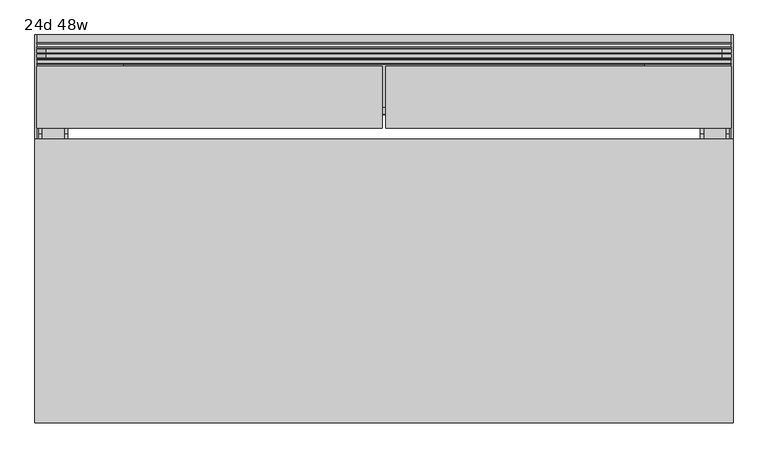
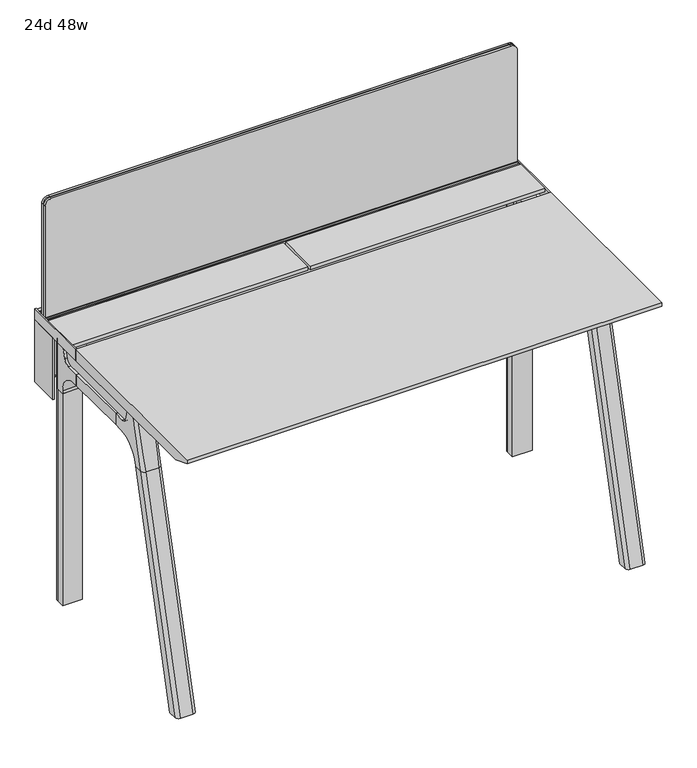
"""IFC4 building model written with IfcOpenShell, lengths in millimetres: furniture geometry, 24d 48w."""

from ifc_helpers import new_model, si_unit, point, frame, frame_2d, origin, place, context, project, spatial, polyline, circle_curve, ellipse_curve, trimmed, segment, composite_curve, outline, extrude, source, transform, mapped, element, save
from ifc_brep_helpers import plane_surface, cylinder_surface, revolved_surface, advanced_brep


def furniture_24d_48w_d5e730e5(model_context):
    return source(origin(), model_context, "Body", "SolidModel", [
        extrude(outline(composite_curve([segment(polyline([(-171.6458172, 542.478661), (-293.447806, 542.478661)]), True, "CONTINUOUS"), segment(trimmed(circle_curve(frame_2d((-293.447806, 555.972411)), 13.49375), [point((-293.447806, 542.478661))], [point((-306.941556, 555.972411))], False, "CARTESIAN"), True, "CONTINUOUS"), segment(polyline([(-306.941556, 555.972411), (-306.941556, 579.126206), (-306.147806, 579.126206), (-306.147806, 555.972411)]), True, "CONTINUOUS"), segment(trimmed(circle_curve(frame_2d((-293.447806, 555.972411)), 12.7), [point((-306.147806, 555.972411))], [point((-293.447806, 543.272411))], True, "CARTESIAN"), True, "CONTINUOUS"), segment(polyline([(-293.447806, 543.272411), (-171.6458172, 543.272411), (-171.6458172, 542.478661)]), True, "CONTINUOUS")], self_intersect=False)), frame((-238.125, 0.0, 0.0), z_axis=(1.0, 0.0, 0.0), x_axis=(0.0, 1.0, 0.0)), (0.0, 0.0, 1.0), 908.05),
        extrude(outline(polyline([(-167.2415802, 542.478661), (-171.6458172, 542.478661), (-171.6458172, 543.272411), (-168.0353302, 543.272411), (-168.0353302, 738.7080593), (-179.9097266, 738.7080593), (-179.9097266, 729.9768093), (-180.7034766, 729.9768093), (-180.7034766, 739.5018093), (-167.2415802, 739.5018093), (-167.2415802, 542.478661)])), frame((-390.525, 0.0, 0.0), z_axis=(1.0, 0.0, 0.0), x_axis=(0.0, 1.0, 0.0)), (0.0, 0.0, 1.0), 1212.85),
        extrude(outline(composite_curve([segment(polyline([(1054.89375, 803.275), (1054.89375, -371.475)]), True, "CONTINUOUS"), segment(trimmed(circle_curve(frame_2d((1039.01875, -371.475)), 15.875), [point((1054.89375, -371.475))], [point((1039.01875, -387.35))], False, "CARTESIAN"), True, "CONTINUOUS"), segment(polyline([(1039.01875, -387.35), (720.725, -387.35), (720.725, 819.15), (1039.01875, 819.15)]), True, "CONTINUOUS"), segment(trimmed(circle_curve(frame_2d((1039.01875, 803.275)), 15.875), [point((1039.01875, 819.15))], [point((1054.89375, 803.275))], False, "CARTESIAN"), True, "CONTINUOUS")], self_intersect=False)), frame((0.0, -201.3409766, 0.0), z_axis=(0.0, 1.0, 0.0), x_axis=(0.0, 0.0, 1.0)), (0.0, 0.0, 1.0), 3.175),
        extrude(outline(composite_curve([segment(polyline([(1058.06875, 806.45), (1058.06875, -374.65)]), True, "CONTINUOUS"), segment(trimmed(circle_curve(frame_2d((1042.19375, -374.65)), 15.875), [point((1058.06875, -374.65))], [point((1042.19375, -390.525))], False, "CARTESIAN"), True, "CONTINUOUS"), segment(polyline([(1042.19375, -390.525), (717.55, -390.525), (717.55, 822.325), (1042.19375, 822.325)]), True, "CONTINUOUS"), segment(trimmed(circle_curve(frame_2d((1042.19375, 806.45)), 15.875), [point((1042.19375, 822.325))], [point((1058.06875, 806.45))], False, "CARTESIAN"), True, "CONTINUOUS")], self_intersect=False)), frame((0.0, -198.1659766, 0.0), z_axis=(0.0, 1.0, 0.0), x_axis=(0.0, 0.0, 1.0)), (0.0, 0.0, 1.0), 5.55625),
        extrude(outline(composite_curve([segment(polyline([(1058.06875, 806.45), (1058.06875, -374.65)]), True, "CONTINUOUS"), segment(trimmed(circle_curve(frame_2d((1042.19375, -374.65)), 15.875), [point((1058.06875, -374.65))], [point((1042.19375, -390.525))], False, "CARTESIAN"), True, "CONTINUOUS"), segment(polyline([(1042.19375, -390.525), (717.55, -390.525), (717.55, 822.325), (1042.19375, 822.325)]), True, "CONTINUOUS"), segment(trimmed(circle_curve(frame_2d((1042.19375, 806.45)), 15.875), [point((1042.19375, 822.325))], [point((1058.06875, 806.45))], False, "CARTESIAN"), True, "CONTINUOUS")], self_intersect=False)), frame((0.0, -206.8972266, 0.0), z_axis=(0.0, 1.0, 0.0), x_axis=(0.0, 0.0, 1.0)), (0.0, 0.0, 1.0), 5.55625),
        extrude(outline(polyline([(-218.8034766, 715.9625), (-218.8034766, 741.3625), (-217.2159766, 741.3625), (-217.2159766, 720.725), (-210.8659766, 720.725), (-210.8659766, 741.3625), (-209.2784766, 741.3625), (-209.2784766, 717.55), (-190.2284766, 717.55), (-190.2284766, 741.3625), (-188.6409766, 741.3625), (-188.6409766, 720.725), (-182.2909766, 720.725), (-182.2909766, 741.3625), (-180.7034766, 741.3625), (-180.7034766, 715.9625), (-218.8034766, 715.9625)])), frame((-390.525, 0.0, 0.0), z_axis=(1.0, 0.0, 0.0), x_axis=(0.0, 1.0, 0.0)), (0.0, 0.0, 1.0), 1212.85),
        extrude(outline(composite_curve([segment(polyline([(-280.7159766, 711.2), (-289.7740774, 677.3947076)]), True, "CONTINUOUS"), segment(trimmed(circle_curve(frame_2d((-305.1081499, 681.5034599)), 15.875), [point((-289.7740774, 677.3947076))], [point((-305.1081499, 665.6284599))], False, "CARTESIAN"), True, "CONTINUOUS"), segment(polyline([(-305.1081499, 665.6284599), (-550.8050533, 665.6284599)]), True, "CONTINUOUS"), segment(trimmed(circle_curve(frame_2d((-550.8050533, 681.5034599)), 15.875), [point((-550.8050533, 665.6284599))], [point((-566.1391258, 677.3947076))], False, "CARTESIAN"), True, "CONTINUOUS"), segment(polyline([(-566.1391258, 677.3947076), (-575.1972266, 711.2), (-280.7159766, 711.2)]), True, "CONTINUOUS")], self_intersect=False)), frame((774.7, 0.0, 0.0), z_axis=(1.0, 0.0, 0.0), x_axis=(0.0, 1.0, 0.0)), (0.0, 0.0, 1.0), 38.1),
        extrude(outline(polyline([(819.15, -341.0409766), (819.15, -514.8722266), (768.35, -514.8722266), (768.35, -341.0409766), (819.15, -341.0409766)])), frame((0.0, 0.0, 635.6476591), z_axis=(0.0, 0.0, 1.0), x_axis=(1.0, 0.0, 0.0)), (0.0, 0.0, 1.0), 29.9808008),
        extrude(outline(composite_curve([segment(polyline([(-280.7159766, 711.2), (-289.7740774, 677.3947076)]), True, "CONTINUOUS"), segment(trimmed(circle_curve(frame_2d((-305.1081499, 681.5034599)), 15.875), [point((-289.7740774, 677.3947076))], [point((-305.1081499, 665.6284599))], False, "CARTESIAN"), True, "CONTINUOUS"), segment(polyline([(-305.1081499, 665.6284599), (-550.8050533, 665.6284599)]), True, "CONTINUOUS"), segment(trimmed(circle_curve(frame_2d((-550.8050533, 681.5034599)), 15.875), [point((-550.8050533, 665.6284599))], [point((-566.1391258, 677.3947076))], False, "CARTESIAN"), True, "CONTINUOUS"), segment(polyline([(-566.1391258, 677.3947076), (-575.1972266, 711.2), (-280.7159766, 711.2)]), True, "CONTINUOUS")], self_intersect=False)), frame((-381.0, 0.0, 0.0), z_axis=(1.0, 0.0, 0.0), x_axis=(0.0, 1.0, 0.0)), (0.0, 0.0, 1.0), 38.1),
        extrude(outline(polyline([(-336.55, -341.0409766), (-336.55, -514.8722266), (-387.35, -514.8722266), (-387.35, -341.0409766), (-336.55, -341.0409766)])), frame((0.0, 0.0, 635.6476591), z_axis=(0.0, 0.0, 1.0), x_axis=(1.0, 0.0, 0.0)), (0.0, 0.0, 1.0), 29.9808008),
        advanced_brep(
        [(819.15, -280.6696478, 711.2), (819.15, -289.7277486, 677.3947076), (819.15, -305.0618211, 665.6284599), (819.15, -341.0409766, 665.6284599), (819.15, -341.0409766, 635.6476591), (819.15, -329.9284766, 635.6476591), (819.15, -279.1284766, 584.8476591), (819.15, -279.1284766, 576.659375), (819.15, -256.9034766, 576.659375), (819.15, -256.9034766, 711.2), (768.35, -279.1284766, 576.659375), (768.35, -279.1284766, 584.8476591), (768.35, -329.9284766, 635.6476591), (768.35, -341.0409766, 635.6476591), (768.35, -341.0409766, 665.6284599), (768.35, -305.0618211, 665.6284599), (768.35, -289.7277486, 677.3947076), (768.35, -280.6696478, 711.2), (768.35, -256.9034766, 711.2), (768.35, -256.9034766, 576.659375), (809.625, -247.3784766, 711.2), (777.875, -247.3784766, 711.2), (777.875, -247.3784766, 576.659375), (809.625, -247.3784766, 576.659375)],
        [
            (0, 1),
            (1, 2, circle_curve(frame((819.15, -305.0618211, 681.5034599), z_axis=(-1.0, 0.0, 0.0), x_axis=(0.0, 1.0, 0.0)), 15.875)),
            (2, 3),
            (3, 4),
            (4, 5),
            (5, 6, circle_curve(frame((819.15, -329.9284766, 584.8476591), z_axis=(-1.0, 0.0, 0.0), x_axis=(0.0, 1.0, 0.0)), 50.8)),
            (6, 7),
            (7, 8),
            (8, 9),
            (9, 0),
            (10, 11),
            (11, 12, circle_curve(frame((768.35, -329.9284766, 584.8476591), z_axis=(1.0, 0.0, 0.0), x_axis=(0.0, 1.0, 0.0)), 50.8)),
            (12, 13),
            (13, 14),
            (14, 15),
            (15, 16, circle_curve(frame((768.35, -305.0618211, 681.5034599), z_axis=(1.0, 0.0, 0.0), x_axis=(0.0, 1.0, 0.0)), 15.875)),
            (16, 17),
            (17, 18),
            (18, 19),
            (19, 10),
            (17, 0),
            (9, 20, circle_curve(frame((809.625, -256.9034766, 711.2), z_axis=(0.0, 0.0, 1.0), x_axis=(-1.0, 0.0, 0.0)), 9.525)),
            (20, 21),
            (21, 18, circle_curve(frame((777.875, -256.9034766, 711.2), z_axis=(0.0, 0.0, 1.0), x_axis=(-1.0, 0.0, 0.0)), 9.525)),
            (16, 1),
            (15, 2),
            (14, 3),
            (13, 4),
            (12, 5),
            (7, 10),
            (19, 22, circle_curve(frame((777.875, -256.9034766, 576.659375), z_axis=(0.0, 0.0, -1.0), x_axis=(-1.0, 0.0, 0.0)), 9.525)),
            (22, 23),
            (23, 8, circle_curve(frame((809.625, -256.9034766, 576.659375), z_axis=(0.0, 0.0, -1.0), x_axis=(-1.0, 0.0, 0.0)), 9.525)),
            (11, 6),
            (23, 20),
            (21, 22),
        ],
        [
            plane_surface(frame((819.15, -240.451947, 711.2), z_axis=(1.0, 0.0, 0.0), x_axis=(0.0, -1.0, 0.0))),
            plane_surface(frame((768.35, -240.451947, 711.2), z_axis=(-1.0, 0.0, 0.0), x_axis=(0.0, 1.0, 0.0))),
            plane_surface(frame((819.15, -240.451947, 711.2), z_axis=(0.0, 0.0, 1.0), x_axis=(-1.0, 0.0, 0.0))),
            plane_surface(frame((819.15, -280.6696478, 711.2), z_axis=(0.0, -0.9659258262890683, 0.2588190451025207), x_axis=(-1.0, 0.0, 0.0))),
            revolved_surface(polyline([(768.35, -289.1868211, 681.5034599), (819.15, -289.1868211, 681.5034599)]), (768.35, -305.0618211, 681.5034599), (-1.0, 0.0, 0.0)),
            plane_surface(frame((819.15, -305.0618211, 665.6284599), z_axis=(0.0, 0.0, 1.0), x_axis=(-1.0, 0.0, 0.0))),
            plane_surface(frame((819.15, -341.0409766, 665.6284599), z_axis=(0.0, -1.0, 0.0), x_axis=(-1.0, 0.0, 0.0))),
            plane_surface(frame((819.15, -341.0409766, 635.6476591), z_axis=(0.0, 0.0, -1.0), x_axis=(-1.0, 0.0, 0.0))),
            plane_surface(frame((819.15, -279.1284766, 576.659375), z_axis=(0.0, 0.0, -1.0), x_axis=(-1.0, 0.0, 0.0))),
            revolved_surface(polyline([(768.35, -279.1284766, 584.8476591), (819.15, -279.1284766, 584.8476591)]), (768.35, -329.9284766, 584.8476591), (-1.0, 0.0, 0.0)),
            plane_surface(frame((819.15, -279.1284766, 584.8476591), z_axis=(0.0, -1.0, 0.0), x_axis=(-1.0, 0.0, 0.0))),
            cylinder_surface(frame((809.625, -256.9034766, 524.9807374), z_axis=(0.0, 0.0, -1.0), x_axis=(-1.0, 0.0, 0.0)), 9.525),
            cylinder_surface(frame((777.875, -256.9034766, 524.9807374), z_axis=(0.0, 0.0, -1.0), x_axis=(-1.0, 0.0, 0.0)), 9.525),
            plane_surface(frame((777.875, -247.3784766, 711.2), z_axis=(0.0, 1.0, 0.0), x_axis=(0.0, 0.0, -1.0))),
        ],
        [
            (0, [[1, 2, 3, 4, 5, 6, 7, 8, 9, 10]]),
            (1, [[11, 12, 13, 14, 15, 16, 17, 18, 19, 20]]),
            (2, [[21, -10, 22, 23, 24, -18]]),
            (3, [[-1, -21, -17, 25]]),
            (4, [[-2, -25, -16, 26]]),
            (5, [[-3, -26, -15, 27]]),
            (6, [[-4, -27, -14, 28]]),
            (7, [[-5, -28, -13, 29]]),
            (8, [[30, -20, 31, 32, 33, -8]]),
            (9, [[-6, -29, -12, 34]]),
            (10, [[-7, -34, -11, -30]]),
            (11, [[35, -22, -9, -33]]),
            (12, [[36, -31, -19, -24]]),
            (13, [[-35, -32, -36, -23]]),
        ],
    ),
        advanced_brep(
        [(768.35, -279.1284766, 576.659375), (819.15, -279.1284766, 576.659375), (819.15, -256.9034766, 576.659375), (809.625, -247.3784766, 576.659375), (777.875, -247.3784766, 576.659375), (768.35, -256.9034766, 576.659375), (768.35, -279.1284766, 0.0), (768.35, -256.9034766, 0.0), (777.875, -247.3784766, 0.0), (809.625, -247.3784766, 0.0), (819.15, -256.9034766, 0.0), (819.15, -279.1284766, 0.0), (819.15, -256.9034766, 524.9807374), (809.625, -247.3784766, 524.9807374), (777.875, -247.3784766, 524.9807374), (768.35, -256.9034766, 524.9807374)],
        [
            (0, 1),
            (1, 2),
            (2, 3, circle_curve(frame((809.625, -256.9034766, 576.659375), z_axis=(0.0, 0.0, 1.0), x_axis=(-1.0, 0.0, 0.0)), 9.525)),
            (3, 4),
            (4, 5, circle_curve(frame((777.875, -256.9034766, 576.659375), z_axis=(0.0, 0.0, 1.0), x_axis=(-1.0, 0.0, 0.0)), 9.525)),
            (5, 0),
            (6, 7),
            (7, 8, circle_curve(frame((777.875, -256.9034766, 0.0), z_axis=(0.0, 0.0, -1.0), x_axis=(-1.0, 0.0, 0.0)), 9.525)),
            (8, 9),
            (9, 10, circle_curve(frame((809.625, -256.9034766, 0.0), z_axis=(0.0, 0.0, -1.0), x_axis=(-1.0, 0.0, 0.0)), 9.525)),
            (10, 11),
            (11, 6),
            (0, 6),
            (11, 1),
            (10, 12),
            (12, 2),
            (9, 13),
            (13, 3),
            (8, 14),
            (14, 4),
            (7, 15),
            (15, 5),
        ],
        [
            plane_surface(frame((826.3462903, -279.1284766, 576.659375), z_axis=(0.0, 0.0, 1.0), x_axis=(1.0, 0.0, 0.0))),
            plane_surface(frame((826.3462903, -279.1284766, 0.0), z_axis=(0.0, 0.0, -1.0), x_axis=(-1.0, 0.0, 0.0))),
            plane_surface(frame((768.35, -279.1284766, 576.659375), z_axis=(0.0, -1.0, 0.0), x_axis=(0.0, 0.0, -1.0))),
            plane_surface(frame((819.15, -279.1284766, 576.659375), z_axis=(1.0, 0.0, 0.0), x_axis=(0.0, 0.0, -1.0))),
            cylinder_surface(frame((809.625, -256.9034766, 0.0), z_axis=(0.0, 0.0, 1.0), x_axis=(-1.0, 0.0, 0.0)), 9.525),
            plane_surface(frame((809.625, -247.3784766, 576.659375), z_axis=(0.0, 1.0, 0.0), x_axis=(0.0, 0.0, -1.0))),
            cylinder_surface(frame((777.875, -256.9034766, 0.0), z_axis=(0.0, 0.0, 1.0), x_axis=(-1.0, 0.0, 0.0)), 9.525),
            plane_surface(frame((768.35, -256.9034766, 576.659375), z_axis=(-1.0, 0.0, 0.0), x_axis=(0.0, 0.0, -1.0))),
        ],
        [
            (0, [[1, 2, 3, 4, 5, 6]]),
            (1, [[7, 8, 9, 10, 11, 12]]),
            (2, [[-1, 13, -12, 14]]),
            (3, [[-2, -14, -11, 15, 16]]),
            (4, [[-3, -16, -15, -10, 17, 18]]),
            (5, [[-4, -18, -17, -9, 19, 20]]),
            (6, [[-5, -20, -19, -8, 21, 22]]),
            (7, [[-6, -22, -21, -7, -13]]),
        ],
    ),
        advanced_brep(
        [(-336.55, -280.6696478, 711.2), (-336.55, -289.7277486, 677.3947076), (-336.55, -305.0618211, 665.6284599), (-336.55, -341.0409766, 665.6284599), (-336.55, -341.0409766, 635.6476591), (-336.55, -329.9284766, 635.6476591), (-336.55, -279.1284766, 584.8476591), (-336.55, -279.1284766, 576.659375), (-336.55, -256.9034766, 576.659375), (-336.55, -256.9034766, 711.2), (-387.35, -279.1284766, 576.659375), (-387.35, -279.1284766, 584.8476591), (-387.35, -329.9284766, 635.6476591), (-387.35, -341.0409766, 635.6476591), (-387.35, -341.0409766, 665.6284599), (-387.35, -305.0618211, 665.6284599), (-387.35, -289.7277486, 677.3947076), (-387.35, -280.6696478, 711.2), (-387.35, -256.9034766, 711.2), (-387.35, -256.9034766, 576.659375), (-346.075, -247.3784766, 711.2), (-377.825, -247.3784766, 711.2), (-377.825, -247.3784766, 576.659375), (-346.075, -247.3784766, 576.659375)],
        [
            (0, 1),
            (1, 2, circle_curve(frame((-336.55, -305.0618211, 681.5034599), z_axis=(-1.0, 0.0, 0.0), x_axis=(0.0, 1.0, 0.0)), 15.875)),
            (2, 3),
            (3, 4),
            (4, 5),
            (5, 6, circle_curve(frame((-336.55, -329.9284766, 584.8476591), z_axis=(-1.0, 0.0, 0.0), x_axis=(0.0, 1.0, 0.0)), 50.8)),
            (6, 7),
            (7, 8),
            (8, 9),
            (9, 0),
            (10, 11),
            (11, 12, circle_curve(frame((-387.35, -329.9284766, 584.8476591), z_axis=(1.0, 0.0, 0.0), x_axis=(0.0, 1.0, 0.0)), 50.8)),
            (12, 13),
            (13, 14),
            (14, 15),
            (15, 16, circle_curve(frame((-387.35, -305.0618211, 681.5034599), z_axis=(1.0, 0.0, 0.0), x_axis=(0.0, 1.0, 0.0)), 15.875)),
            (16, 17),
            (17, 18),
            (18, 19),
            (19, 10),
            (17, 0),
            (9, 20, circle_curve(frame((-346.075, -256.9034766, 711.2), z_axis=(0.0, 0.0, 1.0), x_axis=(-1.0, 0.0, 0.0)), 9.525)),
            (20, 21),
            (21, 18, circle_curve(frame((-377.825, -256.9034766, 711.2), z_axis=(0.0, 0.0, 1.0), x_axis=(-1.0, 0.0, 0.0)), 9.525)),
            (16, 1),
            (15, 2),
            (14, 3),
            (13, 4),
            (12, 5),
            (7, 10),
            (19, 22, circle_curve(frame((-377.825, -256.9034766, 576.659375), z_axis=(0.0, 0.0, -1.0), x_axis=(-1.0, 0.0, 0.0)), 9.525)),
            (22, 23),
            (23, 8, circle_curve(frame((-346.075, -256.9034766, 576.659375), z_axis=(0.0, 0.0, -1.0), x_axis=(-1.0, 0.0, 0.0)), 9.525)),
            (11, 6),
            (23, 20),
            (21, 22),
        ],
        [
            plane_surface(frame((-336.55, -240.451947, 711.2), z_axis=(1.0, 0.0, 0.0), x_axis=(0.0, -1.0, 0.0))),
            plane_surface(frame((-387.35, -240.451947, 711.2), z_axis=(-1.0, 0.0, 0.0), x_axis=(0.0, 1.0, 0.0))),
            plane_surface(frame((-336.55, -240.451947, 711.2), z_axis=(0.0, 0.0, 1.0), x_axis=(-1.0, 0.0, 0.0))),
            plane_surface(frame((-336.55, -280.6696478, 711.2), z_axis=(0.0, -0.9659258262890683, 0.2588190451025207), x_axis=(-1.0, 0.0, 0.0))),
            revolved_surface(polyline([(-387.35, -289.1868211, 681.5034599), (-336.55, -289.1868211, 681.5034599)]), (-387.35, -305.0618211, 681.5034599), (-1.0, 0.0, 0.0)),
            plane_surface(frame((-336.55, -305.0618211, 665.6284599), z_axis=(0.0, 0.0, 1.0), x_axis=(-1.0, 0.0, 0.0))),
            plane_surface(frame((-336.55, -341.0409766, 665.6284599), z_axis=(0.0, -1.0, 0.0), x_axis=(-1.0, 0.0, 0.0))),
            plane_surface(frame((-336.55, -341.0409766, 635.6476591), z_axis=(0.0, 0.0, -1.0), x_axis=(-1.0, 0.0, 0.0))),
            plane_surface(frame((-336.55, -279.1284766, 576.659375), z_axis=(0.0, 0.0, -1.0), x_axis=(-1.0, 0.0, 0.0))),
            revolved_surface(polyline([(-387.35, -279.1284766, 584.8476591), (-336.55, -279.1284766, 584.8476591)]), (-387.35, -329.9284766, 584.8476591), (-1.0, 0.0, 0.0)),
            plane_surface(frame((-336.55, -279.1284766, 584.8476591), z_axis=(0.0, -1.0, 0.0), x_axis=(-1.0, 0.0, 0.0))),
            cylinder_surface(frame((-346.075, -256.9034766, 524.9807374), z_axis=(0.0, 0.0, -1.0), x_axis=(-1.0, 0.0, 0.0)), 9.525),
            cylinder_surface(frame((-377.825, -256.9034766, 524.9807374), z_axis=(0.0, 0.0, -1.0), x_axis=(-1.0, 0.0, 0.0)), 9.525),
            plane_surface(frame((-377.825, -247.3784766, 711.2), z_axis=(0.0, 1.0, 0.0), x_axis=(0.0, 0.0, -1.0))),
        ],
        [
            (0, [[1, 2, 3, 4, 5, 6, 7, 8, 9, 10]]),
            (1, [[11, 12, 13, 14, 15, 16, 17, 18, 19, 20]]),
            (2, [[21, -10, 22, 23, 24, -18]]),
            (3, [[-1, -21, -17, 25]]),
            (4, [[-2, -25, -16, 26]]),
            (5, [[-3, -26, -15, 27]]),
            (6, [[-4, -27, -14, 28]]),
            (7, [[-5, -28, -13, 29]]),
            (8, [[30, -20, 31, 32, 33, -8]]),
            (9, [[-6, -29, -12, 34]]),
            (10, [[-7, -34, -11, -30]]),
            (11, [[35, -22, -9, -33]]),
            (12, [[36, -31, -19, -24]]),
            (13, [[-35, -32, -36, -23]]),
        ],
    ),
        advanced_brep(
        [(-387.35, -279.1284766, 576.659375), (-336.55, -279.1284766, 576.659375), (-336.55, -256.9034766, 576.659375), (-346.075, -247.3784766, 576.659375), (-377.825, -247.3784766, 576.659375), (-387.35, -256.9034766, 576.659375), (-387.35, -279.1284766, 0.0), (-387.35, -256.9034766, 0.0), (-377.825, -247.3784766, 0.0), (-346.075, -247.3784766, 0.0), (-336.55, -256.9034766, 0.0), (-336.55, -279.1284766, 0.0), (-336.55, -256.9034766, 524.9807374), (-346.075, -247.3784766, 524.9807374), (-377.825, -247.3784766, 524.9807374), (-387.35, -256.9034766, 524.9807374)],
        [
            (0, 1),
            (1, 2),
            (2, 3, circle_curve(frame((-346.075, -256.9034766, 576.659375), z_axis=(0.0, 0.0, 1.0), x_axis=(-1.0, 0.0, 0.0)), 9.525)),
            (3, 4),
            (4, 5, circle_curve(frame((-377.825, -256.9034766, 576.659375), z_axis=(0.0, 0.0, 1.0), x_axis=(-1.0, 0.0, 0.0)), 9.525)),
            (5, 0),
            (6, 7),
            (7, 8, circle_curve(frame((-377.825, -256.9034766, 0.0), z_axis=(0.0, 0.0, -1.0), x_axis=(-1.0, 0.0, 0.0)), 9.525)),
            (8, 9),
            (9, 10, circle_curve(frame((-346.075, -256.9034766, 0.0), z_axis=(0.0, 0.0, -1.0), x_axis=(-1.0, 0.0, 0.0)), 9.525)),
            (10, 11),
            (11, 6),
            (0, 6),
            (11, 1),
            (10, 12),
            (12, 2),
            (9, 13),
            (13, 3),
            (8, 14),
            (14, 4),
            (7, 15),
            (15, 5),
        ],
        [
            plane_surface(frame((-329.3537097, -279.1284766, 576.659375), z_axis=(0.0, 0.0, 1.0), x_axis=(1.0, 0.0, 0.0))),
            plane_surface(frame((-329.3537097, -279.1284766, 0.0), z_axis=(0.0, 0.0, -1.0), x_axis=(-1.0, 0.0, 0.0))),
            plane_surface(frame((-387.35, -279.1284766, 576.659375), z_axis=(0.0, -1.0, 0.0), x_axis=(0.0, 0.0, -1.0))),
            plane_surface(frame((-336.55, -279.1284766, 576.659375), z_axis=(1.0, 0.0, 0.0), x_axis=(0.0, 0.0, -1.0))),
            cylinder_surface(frame((-346.075, -256.9034766, 0.0), z_axis=(0.0, 0.0, 1.0), x_axis=(-1.0, 0.0, 0.0)), 9.525),
            plane_surface(frame((-346.075, -247.3784766, 576.659375), z_axis=(0.0, 1.0, 0.0), x_axis=(0.0, 0.0, -1.0))),
            cylinder_surface(frame((-377.825, -256.9034766, 0.0), z_axis=(0.0, 0.0, 1.0), x_axis=(-1.0, 0.0, 0.0)), 9.525),
            plane_surface(frame((-387.35, -256.9034766, 576.659375), z_axis=(-1.0, 0.0, 0.0), x_axis=(0.0, 0.0, -1.0))),
        ],
        [
            (0, [[1, 2, 3, 4, 5, 6]]),
            (1, [[7, 8, 9, 10, 11, 12]]),
            (2, [[-1, 13, -12, 14]]),
            (3, [[-2, -14, -11, 15, 16]]),
            (4, [[-3, -16, -15, -10, 17, 18]]),
            (5, [[-4, -18, -17, -9, 19, 20]]),
            (6, [[-5, -20, -19, -8, 21, 22]]),
            (7, [[-6, -22, -21, -7, -13]]),
        ],
    ),
        advanced_brep(
        [(768.35, -568.8935553, 711.2), (768.35, -559.8354545, 677.3947076), (768.35, -544.501382, 665.6284599), (768.35, -514.8722266, 665.6284599), (768.35, -514.8722266, 635.6476591), (768.35, -537.7434588, 635.6476591), (768.35, -602.1465633, 586.2294189), (768.35, -604.7047754, 576.6820411), (768.35, -625.8087453, 576.6820411), (768.35, -590.3601017, 711.2), (819.15, -604.7047754, 576.6820411), (819.15, -602.1465633, 586.2294189), (819.15, -537.7434588, 635.6476591), (819.15, -514.8722266, 635.6476591), (819.15, -514.8722266, 665.6284599), (819.15, -544.501382, 665.6284599), (819.15, -559.8354545, 677.3947076), (819.15, -568.8935553, 711.2), (819.15, -590.3601017, 711.2), (819.15, -625.8087453, 576.6820411), (774.6138162, -599.6149462, 711.2), (812.8861838, -599.6149462, 711.2), (809.625, -635.6589247, 576.6820411), (777.875, -635.6589247, 576.6820411)],
        [
            (0, 1),
            (1, 2, circle_curve(frame((768.35, -544.501382, 681.5034599), z_axis=(1.0, 0.0, 0.0), x_axis=(0.0, -1.0, 0.0)), 15.875)),
            (2, 3),
            (3, 4),
            (4, 5),
            (5, 6, circle_curve(frame((768.35, -537.7434588, 568.9726591), z_axis=(1.0, 0.0, 0.0), x_axis=(0.0, -1.0, 0.0)), 66.675)),
            (6, 7),
            (7, 8),
            (8, 9),
            (9, 0),
            (10, 11),
            (11, 12, circle_curve(frame((819.15, -537.7434588, 568.9726591), z_axis=(-1.0, 0.0, 0.0), x_axis=(0.0, -1.0, 0.0)), 66.675)),
            (12, 13),
            (13, 14),
            (14, 15),
            (15, 16, circle_curve(frame((819.15, -544.501382, 681.5034599), z_axis=(-1.0, 0.0, 0.0), x_axis=(0.0, -1.0, 0.0)), 15.875)),
            (16, 17),
            (17, 18),
            (18, 19),
            (19, 10),
            (17, 0),
            (9, 20, ellipse_curve(frame((777.875, -590.3601017, 711.2), z_axis=(0.0, 0.0, 1.0), x_axis=(0.0, -1.0, 0.0)), 9.8501793, 9.525)),
            (20, 21),
            (21, 18, ellipse_curve(frame((809.625, -590.3601017, 711.2), z_axis=(0.0, 0.0, 1.0), x_axis=(0.0, -1.0, 0.0)), 9.8501793, 9.525)),
            (16, 1),
            (15, 2),
            (14, 3),
            (13, 4),
            (12, 5),
            (11, 6),
            (10, 7),
            (19, 22, ellipse_curve(frame((809.625, -625.8087453, 576.6820411), z_axis=(0.0, 0.0, -1.0), x_axis=(0.0, -1.0, 0.0)), 9.8501793, 9.525)),
            (22, 23),
            (23, 8, ellipse_curve(frame((777.875, -625.8087453, 576.6820411), z_axis=(0.0, 0.0, -1.0), x_axis=(0.0, -1.0, 0.0)), 9.8501793, 9.525)),
            (20, 23, ellipse_curve(frame((777.875, -39.2892106, 2802.3641142), z_axis=(0.0, -0.9659258262890684, 0.2588190451025206), x_axis=(0.0, -0.2588190451025206, -0.9659258262890684)), 2304.1956354, 9.525)),
            (22, 21, ellipse_curve(frame((809.625, -39.2892106, 2802.3641142), z_axis=(0.0, -0.9659258262890684, 0.2588190451025206), x_axis=(0.0, -0.2588190451025206, -0.9659258262890684)), 2304.1956354, 9.525)),
        ],
        [
            plane_surface(frame((768.35, -599.6149462, 711.2), z_axis=(-1.0, 0.0, 0.0), x_axis=(0.0, 1.0, 0.0))),
            plane_surface(frame((819.15, -599.6149462, 711.2), z_axis=(1.0, 0.0, 0.0), x_axis=(0.0, -1.0, 0.0))),
            plane_surface(frame((768.35, -599.6149462, 711.2), z_axis=(0.0, 0.0, 1.0), x_axis=(1.0, 0.0, 0.0))),
            plane_surface(frame((768.35, -568.8935553, 711.2), z_axis=(0.0, 0.9659258262890683, 0.2588190451025207), x_axis=(1.0, 0.0, 0.0))),
            revolved_surface(polyline([(819.15, -560.376382, 681.5034599), (768.35, -560.376382, 681.5034599)]), (819.15, -544.501382, 681.5034599), (1.0, 0.0, 0.0)),
            plane_surface(frame((768.35, -544.501382, 665.6284599), z_axis=(0.0, 0.0, 1.0), x_axis=(1.0, 0.0, 0.0))),
            plane_surface(frame((768.35, -514.8722266, 665.6284599), z_axis=(0.0, 1.0, 0.0), x_axis=(1.0, 0.0, 0.0))),
            plane_surface(frame((768.35, -514.8722266, 635.6476591), z_axis=(0.0, 0.0, -1.0), x_axis=(1.0, 0.0, 0.0))),
            revolved_surface(polyline([(819.15, -604.4184587999999, 568.9726591), (768.35, -604.4184587999999, 568.9726591)]), (819.15, -537.7434588, 568.9726591), (1.0, 0.0, 0.0)),
            plane_surface(frame((768.35, -602.1465633, 586.2294189), z_axis=(0.0, 0.9659258262890693, -0.25881904510251696), x_axis=(1.0, 0.0, 0.0))),
            plane_surface(frame((768.35, -604.7047754, 576.6820411), z_axis=(0.0, 0.0, -1.0), x_axis=(1.0, 0.0, 0.0))),
            plane_surface(frame((768.35, -635.6589247, 576.6820411), z_axis=(0.0, -0.9659258262890684, 0.2588190451025206), x_axis=(1.0, 0.0, 0.0))),
            cylinder_surface(frame((777.875, -778.4176402, -2.4271979), z_axis=(0.0, -0.25482392474081483, -0.966987470125486), x_axis=(1.0, 0.0, 0.0)), 9.525),
            cylinder_surface(frame((809.625, -778.4176402, -2.4271979), z_axis=(0.0, -0.25482392474081483, -0.966987470125486), x_axis=(1.0, 0.0, 0.0)), 9.525),
        ],
        [
            (0, [[1, 2, 3, 4, 5, 6, 7, 8, 9, 10]]),
            (1, [[11, 12, 13, 14, 15, 16, 17, 18, 19, 20]]),
            (2, [[21, -10, 22, 23, 24, -18]]),
            (3, [[-1, -21, -17, 25]]),
            (4, [[-2, -25, -16, 26]]),
            (5, [[-3, -26, -15, 27]]),
            (6, [[-4, -27, -14, 28]]),
            (7, [[-5, -28, -13, 29]]),
            (8, [[-6, -29, -12, 30]]),
            (9, [[-7, -30, -11, 31]]),
            (10, [[-31, -20, 32, 33, 34, -8]]),
            (11, [[-23, 35, -33, 36]]),
            (12, [[-9, -34, -35, -22]]),
            (13, [[-19, -24, -36, -32]]),
        ],
    ),
        advanced_brep(
        [(768.35, -604.7047754, 576.6820411), (768.35, -756.6740466, 0.0), (768.35, -777.7780165, 0.0), (768.35, -625.8087453, 576.6820411), (819.15, -756.6740466, 0.0), (819.15, -604.7047754, 576.6820411), (819.15, -625.8087453, 576.6820411), (819.15, -777.7780165, 0.0), (777.875, -635.6589247, 576.6820411), (809.625, -635.6589247, 576.6820411), (809.625, -787.6281958, 0.0), (777.875, -787.6281958, 0.0)],
        [
            (0, 1),
            (1, 2),
            (2, 3),
            (3, 0),
            (4, 5),
            (5, 6),
            (6, 7),
            (7, 4),
            (5, 0),
            (3, 8, ellipse_curve(frame((777.875, -625.8087453, 576.6820411), z_axis=(0.0, 0.0, 1.0), x_axis=(0.0, -1.0, 0.0)), 9.8501793, 9.525)),
            (8, 9),
            (9, 6, ellipse_curve(frame((809.625, -625.8087453, 576.6820411), z_axis=(0.0, 0.0, 1.0), x_axis=(0.0, -1.0, 0.0)), 9.8501793, 9.525)),
            (4, 1),
            (7, 10, ellipse_curve(frame((809.625, -777.7780165, 0.0), z_axis=(0.0, 0.0, -1.0), x_axis=(0.0, -1.0, 0.0)), 9.8501793, 9.525)),
            (10, 11),
            (11, 2, ellipse_curve(frame((777.875, -777.7780165, 0.0), z_axis=(0.0, 0.0, -1.0), x_axis=(0.0, -1.0, 0.0)), 9.8501793, 9.525)),
            (8, 11),
            (10, 9),
        ],
        [
            plane_surface(frame((768.35, -635.6589247, 576.6820411), z_axis=(-1.0, 0.0, 0.0), x_axis=(0.0, 1.0, 0.0))),
            plane_surface(frame((819.15, -635.6589247, 576.6820411), z_axis=(1.0, 0.0, 0.0), x_axis=(0.0, -1.0, 0.0))),
            plane_surface(frame((768.35, -635.6589247, 576.6820411), z_axis=(0.0, 0.0, 1.0), x_axis=(1.0, 0.0, 0.0))),
            plane_surface(frame((768.35, -604.7047754, 576.6820411), z_axis=(0.0, 0.9669874701254844, -0.2548239247408208), x_axis=(1.0, 0.0, 0.0))),
            plane_surface(frame((768.35, -756.6740466, 0.0), z_axis=(0.0, 0.0, -1.0), x_axis=(1.0, 0.0, 0.0))),
            plane_surface(frame((768.35, -787.6281958, 0.0), z_axis=(0.0, -0.9669874701254855, 0.2548239247408166), x_axis=(1.0, 0.0, 0.0))),
            cylinder_surface(frame((777.875, -778.4176402, -2.4271979), z_axis=(0.0, -0.25482392474081483, -0.966987470125486), x_axis=(1.0, 0.0, 0.0)), 9.525),
            cylinder_surface(frame((809.625, -778.4176402, -2.4271979), z_axis=(0.0, -0.25482392474081483, -0.966987470125486), x_axis=(1.0, 0.0, 0.0)), 9.525),
        ],
        [
            (0, [[1, 2, 3, 4]]),
            (1, [[5, 6, 7, 8]]),
            (2, [[9, -4, 10, 11, 12, -6]]),
            (3, [[-1, -9, -5, 13]]),
            (4, [[-13, -8, 14, 15, 16, -2]]),
            (5, [[-11, 17, -15, 18]]),
            (6, [[-3, -16, -17, -10]]),
            (7, [[-7, -12, -18, -14]]),
        ],
    ),
        advanced_brep(
        [(-387.35, -568.8935553, 711.2), (-387.35, -559.8354545, 677.3947076), (-387.35, -544.501382, 665.6284599), (-387.35, -514.8722266, 665.6284599), (-387.35, -514.8722266, 635.6476591), (-387.35, -537.7434588, 635.6476591), (-387.35, -602.1465633, 586.2294189), (-387.35, -604.7047754, 576.6820411), (-387.35, -625.8087453, 576.6820411), (-387.35, -590.3601017, 711.2), (-336.55, -604.7047754, 576.6820411), (-336.55, -602.1465633, 586.2294189), (-336.55, -537.7434588, 635.6476591), (-336.55, -514.8722266, 635.6476591), (-336.55, -514.8722266, 665.6284599), (-336.55, -544.501382, 665.6284599), (-336.55, -559.8354545, 677.3947076), (-336.55, -568.8935553, 711.2), (-336.55, -590.3601017, 711.2), (-336.55, -625.8087453, 576.6820411), (-381.0861838, -599.6149462, 711.2), (-342.8138162, -599.6149462, 711.2), (-346.075, -635.6589247, 576.6820411), (-377.825, -635.6589247, 576.6820411)],
        [
            (0, 1),
            (1, 2, circle_curve(frame((-387.35, -544.501382, 681.5034599), z_axis=(1.0, 0.0, 0.0), x_axis=(0.0, -1.0, 0.0)), 15.875)),
            (2, 3),
            (3, 4),
            (4, 5),
            (5, 6, circle_curve(frame((-387.35, -537.7434588, 568.9726591), z_axis=(1.0, 0.0, 0.0), x_axis=(0.0, -1.0, 0.0)), 66.675)),
            (6, 7),
            (7, 8),
            (8, 9),
            (9, 0),
            (10, 11),
            (11, 12, circle_curve(frame((-336.55, -537.7434588, 568.9726591), z_axis=(-1.0, 0.0, 0.0), x_axis=(0.0, -1.0, 0.0)), 66.675)),
            (12, 13),
            (13, 14),
            (14, 15),
            (15, 16, circle_curve(frame((-336.55, -544.501382, 681.5034599), z_axis=(-1.0, 0.0, 0.0), x_axis=(0.0, -1.0, 0.0)), 15.875)),
            (16, 17),
            (17, 18),
            (18, 19),
            (19, 10),
            (17, 0),
            (9, 20, ellipse_curve(frame((-377.825, -590.3601017, 711.2), z_axis=(0.0, 0.0, 1.0), x_axis=(0.0, -1.0, 0.0)), 9.8501793, 9.525)),
            (20, 21),
            (21, 18, ellipse_curve(frame((-346.075, -590.3601017, 711.2), z_axis=(0.0, 0.0, 1.0), x_axis=(0.0, -1.0, 0.0)), 9.8501793, 9.525)),
            (16, 1),
            (15, 2),
            (14, 3),
            (13, 4),
            (12, 5),
            (11, 6),
            (10, 7),
            (19, 22, ellipse_curve(frame((-346.075, -625.8087453, 576.6820411), z_axis=(0.0, 0.0, -1.0), x_axis=(0.0, -1.0, 0.0)), 9.8501793, 9.525)),
            (22, 23),
            (23, 8, ellipse_curve(frame((-377.825, -625.8087453, 576.6820411), z_axis=(0.0, 0.0, -1.0), x_axis=(0.0, -1.0, 0.0)), 9.8501793, 9.525)),
            (20, 23, ellipse_curve(frame((-377.825, -39.2892106, 2802.3641142), z_axis=(0.0, -0.9659258262890684, 0.2588190451025206), x_axis=(0.0, -0.2588190451025206, -0.9659258262890684)), 2304.1956354, 9.525)),
            (22, 21, ellipse_curve(frame((-346.075, -39.2892106, 2802.3641142), z_axis=(0.0, -0.9659258262890684, 0.2588190451025206), x_axis=(0.0, -0.2588190451025206, -0.9659258262890684)), 2304.1956354, 9.525)),
        ],
        [
            plane_surface(frame((-387.35, -599.6149462, 711.2), z_axis=(-1.0, 0.0, 0.0), x_axis=(0.0, 1.0, 0.0))),
            plane_surface(frame((-336.55, -599.6149462, 711.2), z_axis=(1.0, 0.0, 0.0), x_axis=(0.0, -1.0, 0.0))),
            plane_surface(frame((-387.35, -599.6149462, 711.2), z_axis=(0.0, 0.0, 1.0), x_axis=(1.0, 0.0, 0.0))),
            plane_surface(frame((-387.35, -568.8935553, 711.2), z_axis=(0.0, 0.9659258262890683, 0.2588190451025207), x_axis=(1.0, 0.0, 0.0))),
            revolved_surface(polyline([(-336.55, -560.376382, 681.5034599), (-387.35, -560.376382, 681.5034599)]), (-336.55, -544.501382, 681.5034599), (1.0, 0.0, 0.0)),
            plane_surface(frame((-387.35, -544.501382, 665.6284599), z_axis=(0.0, 0.0, 1.0), x_axis=(1.0, 0.0, 0.0))),
            plane_surface(frame((-387.35, -514.8722266, 665.6284599), z_axis=(0.0, 1.0, 0.0), x_axis=(1.0, 0.0, 0.0))),
            plane_surface(frame((-387.35, -514.8722266, 635.6476591), z_axis=(0.0, 0.0, -1.0), x_axis=(1.0, 0.0, 0.0))),
            revolved_surface(polyline([(-336.55, -604.4184587999999, 568.9726591), (-387.35, -604.4184587999999, 568.9726591)]), (-336.55, -537.7434588, 568.9726591), (1.0, 0.0, 0.0)),
            plane_surface(frame((-387.35, -602.1465633, 586.2294189), z_axis=(0.0, 0.9659258262890693, -0.25881904510251696), x_axis=(1.0, 0.0, 0.0))),
            plane_surface(frame((-387.35, -604.7047754, 576.6820411), z_axis=(0.0, 0.0, -1.0), x_axis=(1.0, 0.0, 0.0))),
            plane_surface(frame((-387.35, -635.6589247, 576.6820411), z_axis=(0.0, -0.9659258262890684, 0.2588190451025206), x_axis=(1.0, 0.0, 0.0))),
            cylinder_surface(frame((-377.825, -778.4176402, -2.4271979), z_axis=(0.0, -0.25482392474081483, -0.966987470125486), x_axis=(1.0, 0.0, 0.0)), 9.525),
            cylinder_surface(frame((-346.075, -778.4176402, -2.4271979), z_axis=(0.0, -0.25482392474081483, -0.966987470125486), x_axis=(1.0, 0.0, 0.0)), 9.525),
        ],
        [
            (0, [[1, 2, 3, 4, 5, 6, 7, 8, 9, 10]]),
            (1, [[11, 12, 13, 14, 15, 16, 17, 18, 19, 20]]),
            (2, [[21, -10, 22, 23, 24, -18]]),
            (3, [[-1, -21, -17, 25]]),
            (4, [[-2, -25, -16, 26]]),
            (5, [[-3, -26, -15, 27]]),
            (6, [[-4, -27, -14, 28]]),
            (7, [[-5, -28, -13, 29]]),
            (8, [[-6, -29, -12, 30]]),
            (9, [[-7, -30, -11, 31]]),
            (10, [[-31, -20, 32, 33, 34, -8]]),
            (11, [[-23, 35, -33, 36]]),
            (12, [[-9, -34, -35, -22]]),
            (13, [[-19, -24, -36, -32]]),
        ],
    ),
        advanced_brep(
        [(-387.35, -604.7047754, 576.6820411), (-387.35, -756.6740466, 0.0), (-387.35, -777.7780165, 0.0), (-387.35, -625.8087453, 576.6820411), (-336.55, -756.6740466, 0.0), (-336.55, -604.7047754, 576.6820411), (-336.55, -625.8087453, 576.6820411), (-336.55, -777.7780165, 0.0), (-377.825, -635.6589247, 576.6820411), (-346.075, -635.6589247, 576.6820411), (-346.075, -787.6281958, 0.0), (-377.825, -787.6281958, 0.0)],
        [
            (0, 1),
            (1, 2),
            (2, 3),
            (3, 0),
            (4, 5),
            (5, 6),
            (6, 7),
            (7, 4),
            (5, 0),
            (3, 8, ellipse_curve(frame((-377.825, -625.8087453, 576.6820411), z_axis=(0.0, 0.0, 1.0), x_axis=(0.0, -1.0, 0.0)), 9.8501793, 9.525)),
            (8, 9),
            (9, 6, ellipse_curve(frame((-346.075, -625.8087453, 576.6820411), z_axis=(0.0, 0.0, 1.0), x_axis=(0.0, -1.0, 0.0)), 9.8501793, 9.525)),
            (4, 1),
            (7, 10, ellipse_curve(frame((-346.075, -777.7780165, 0.0), z_axis=(0.0, 0.0, -1.0), x_axis=(0.0, -1.0, 0.0)), 9.8501793, 9.525)),
            (10, 11),
            (11, 2, ellipse_curve(frame((-377.825, -777.7780165, 0.0), z_axis=(0.0, 0.0, -1.0), x_axis=(0.0, -1.0, 0.0)), 9.8501793, 9.525)),
            (8, 11),
            (10, 9),
        ],
        [
            plane_surface(frame((-387.35, -635.6589247, 576.6820411), z_axis=(-1.0, 0.0, 0.0), x_axis=(0.0, 1.0, 0.0))),
            plane_surface(frame((-336.55, -635.6589247, 576.6820411), z_axis=(1.0, 0.0, 0.0), x_axis=(0.0, -1.0, 0.0))),
            plane_surface(frame((-387.35, -635.6589247, 576.6820411), z_axis=(0.0, 0.0, 1.0), x_axis=(1.0, 0.0, 0.0))),
            plane_surface(frame((-387.35, -604.7047754, 576.6820411), z_axis=(0.0, 0.9669874701254844, -0.2548239247408208), x_axis=(1.0, 0.0, 0.0))),
            plane_surface(frame((-387.35, -756.6740466, 0.0), z_axis=(0.0, 0.0, -1.0), x_axis=(1.0, 0.0, 0.0))),
            plane_surface(frame((-387.35, -787.6281958, 0.0), z_axis=(0.0, -0.9669874701254855, 0.2548239247408166), x_axis=(1.0, 0.0, 0.0))),
            cylinder_surface(frame((-377.825, -778.4176402, -2.4271979), z_axis=(0.0, -0.25482392474081483, -0.966987470125486), x_axis=(1.0, 0.0, 0.0)), 9.525),
            cylinder_surface(frame((-346.075, -778.4176402, -2.4271979), z_axis=(0.0, -0.25482392474081483, -0.966987470125486), x_axis=(1.0, 0.0, 0.0)), 9.525),
        ],
        [
            (0, [[1, 2, 3, 4]]),
            (1, [[5, 6, 7, 8]]),
            (2, [[9, -4, 10, 11, 12, -6]]),
            (3, [[-1, -9, -5, 13]]),
            (4, [[-13, -8, 14, 15, 16, -2]]),
            (5, [[-11, 17, -15, 18]]),
            (6, [[-3, -16, -17, -10]]),
            (7, [[-7, -12, -18, -14]]),
        ],
    ),
        extrude(outline(polyline([(-845.0722266, 741.3625), (-349.7722266, 741.3625), (-349.7722266, 711.2), (-794.2722266, 711.2), (-845.0722266, 731.8375), (-845.0722266, 741.3625)])), frame((-393.7, 0.0, 0.0), z_axis=(1.0, 0.0, 0.0), x_axis=(0.0, 1.0, 0.0)), (0.0, 0.0, 1.0), 1219.2),
        extrude(outline(polyline([(822.325, -247.3784766), (822.325, -167.2097266), (825.5, -167.2097266), (825.5, -247.3784766), (822.325, -247.3784766)])), frame((0.0, 0.0, 542.528125), z_axis=(0.0, 0.0, 1.0), x_axis=(1.0, 0.0, 0.0)), (0.0, 0.0, 1.0), 168.671875),
        extrude(outline(polyline([(-393.7, -247.3784766), (-393.7, -167.2097266), (-390.525, -167.2097266), (-390.525, -247.3784766), (-393.7, -247.3784766)])), frame((0.0, 0.0, 542.528125), z_axis=(0.0, 0.0, 1.0), x_axis=(1.0, 0.0, 0.0)), (0.0, 0.0, 1.0), 168.671875),
        extrude(outline(polyline([(212.725, -221.9784766), (212.725, -329.9284766), (-390.525, -329.9284766), (-390.525, -221.9784766), (212.725, -221.9784766)])), frame((0.0, 0.0, 731.8375), z_axis=(0.0, 0.0, 1.0), x_axis=(1.0, 0.0, 0.0)), (0.0, 0.0, 1.0), 9.525),
        extrude(outline(polyline([(822.325, -221.9784766), (822.325, -329.9284766), (219.075, -329.9284766), (219.075, -221.9784766), (822.325, -221.9784766)])), frame((0.0, 0.0, 731.8375), z_axis=(0.0, 0.0, 1.0), x_axis=(1.0, 0.0, 0.0)), (0.0, 0.0, 1.0), 9.525),
        extrude(outline(polyline([(768.35, -377.5534766), (768.35, -409.3034766), (-336.55, -409.3034766), (-336.55, -377.5534766), (768.35, -377.5534766)])), frame((0.0, 0.0, 646.1125), z_axis=(0.0, 0.0, 1.0), x_axis=(1.0, 0.0, 0.0)), (0.0, 0.0, 1.0), 50.8),
        extrude(outline(polyline([(825.5, -167.2097266), (825.5, -349.7722266), (822.325, -349.7722266), (822.325, -167.2097266), (825.5, -167.2097266)])), frame((0.0, 0.0, 711.2), z_axis=(0.0, 0.0, 1.0), x_axis=(1.0, 0.0, 0.0)), (0.0, 0.0, 1.0), 30.1625),
        extrude(outline(polyline([(-390.525, -167.2097266), (-390.525, -349.7722266), (-393.7, -349.7722266), (-393.7, -167.2097266), (-390.525, -167.2097266)])), frame((0.0, 0.0, 711.2), z_axis=(0.0, 0.0, 1.0), x_axis=(1.0, 0.0, 0.0)), (0.0, 0.0, 1.0), 30.1625),
    ])


if __name__ == "__main__":
    model = new_model("IFC4")
    model_context = context("Model", 3, world=origin())
    ifc_project = project(units=[si_unit("LENGTHUNIT", "METRE", prefix="MILLI")], contexts=[model_context])
    site = spatial("IfcSite", under=ifc_project)
    building = spatial("IfcBuilding", under=site)
    placement = place(None, origin())
    furniture_24d_48w_shape = furniture_24d_48w_d5e730e5(model_context)
    element("IfcFurniture", 1, ObjectType="24d 48w", at=placement, inside=building, context=model_context, shape_type="MappedRepresentation", body=[
        mapped(furniture_24d_48w_shape, transform((0.0, 0.0, 0.0), x_axis=(1.0, 0.0, 0.0), y_axis=(0.0, 1.0, 0.0), z_axis=(0.0, 0.0, 1.0))),
    ])
    save(model, "model.ifc")
